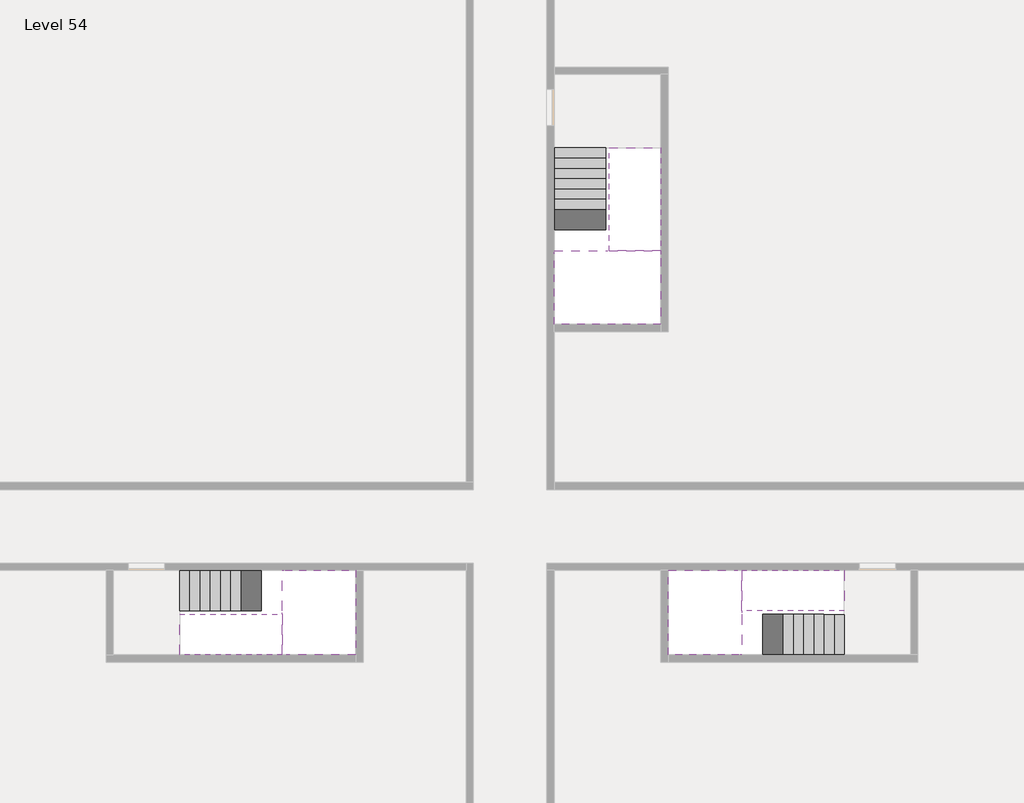
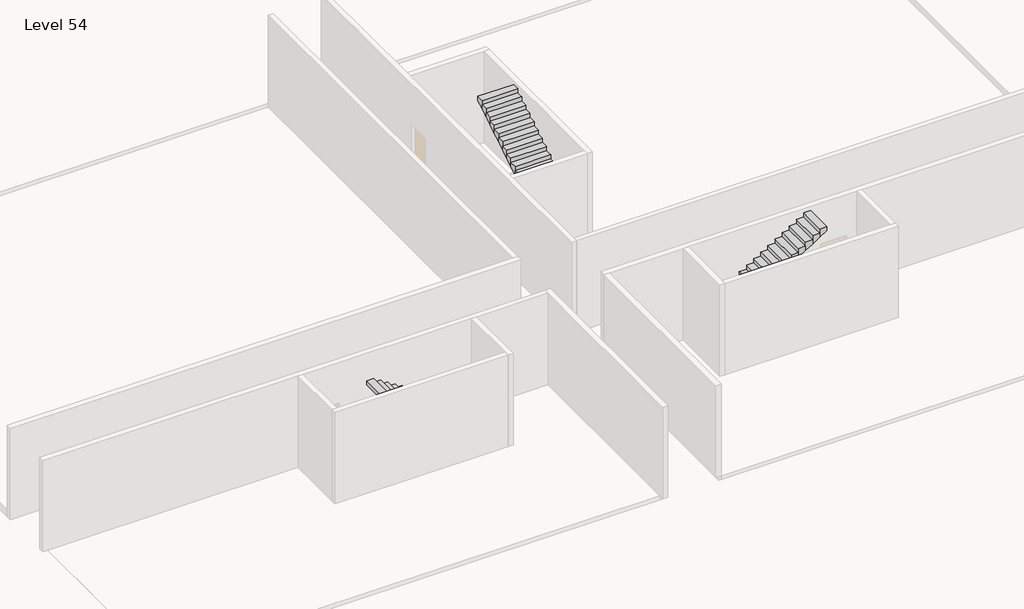
# One storey, part 2 of 2: 6 stair flights, 3 slabs.
"""IFC4 building model written with IfcOpenShell, lengths in millimetres."""

from ifc_helpers import new_model, si_unit, origin, place, context, project, spatial, faceted_brep, element, save

model = new_model("IFC4")

# Units and contexts
model_context = context("Model", 3, world=origin())
ifc_project = project(units=[si_unit("LENGTHUNIT", "METRE", prefix="MILLI")], contexts=[model_context])

# Site, building, storey
site = spatial("IfcSite", under=ifc_project)
building = spatial("IfcBuilding", under=site)
storey = spatial("IfcBuildingStorey", under=building, Name="Level 54", Elevation=201400.0)

# Slabs
placement = place(None, origin())
element("IfcSlab", 1, at=placement, inside=storey, context=model_context, shape_type="Brep", body=[
    faceted_brep([(26790.1058784, -34218.09644, 203300.0), (25390.1058784, -34218.09644, 203300.0), (25390.1058784, -34297.4828763, 203300.0), (25390.1058784, -36218.09644, 203300.0), (28290.1058784, -36218.09644, 203300.0), (28290.1058784, -34418.7100038, 203300.0), (28290.1058784, -34218.09644, 203300.0), (26890.1058784, -34218.09644, 203300.0), (26790.1058784, -34218.09644, 203000.0), (26790.1058784, -34218.09644, 202951.0278478), (25390.1058784, -34218.09644, 202951.0278478), (25390.1058784, -34218.09644, 203127.2727273), (25390.1058784, -34297.4828763, 203000.0), (25390.1058784, -36218.09644, 203000.0), (28290.1058784, -36218.09644, 203000.0), (28290.1058784, -34418.7100038, 203000.0), (28290.1058784, -34218.09644, 203123.7551205), (26890.1058784, -34218.09644, 203123.7551205), (26890.1058784, -34218.09644, 203000.0), (26890.1058784, -34418.7100038, 203000.0), (26790.1058784, -34297.4828763, 203000.0)], [[[0, 1, 2, 3, 4, 5, 6, 7]], [[1, 0, 8, 9, 10, 11]], [[1, 11, 10, 12, 13, 3, 2]], [[4, 3, 13, 14]], [[4, 14, 15, 16, 6, 5]], [[7, 6, 16, 17]], [[0, 7, 17, 18, 8]], [[18, 19, 15, 14, 13, 12, 20, 8]], [[19, 18, 17]], [[20, 12, 10, 9]], [[8, 20, 9]], [[15, 19, 17, 16]]]),
])
element("IfcSlab", 2, at=placement, inside=storey, context=model_context, shape_type="Brep", body=[
    faceted_brep([(30490.1058784, -45218.09644, 203300.0), (30490.1058784, -44118.09644, 203300.0), (30490.1058784, -44018.09644, 203300.0), (30490.1058784, -42918.09644, 203300.0), (30289.4923146, -42918.09644, 203300.0), (28490.1058784, -42918.09644, 203300.0), (28490.1058784, -45218.09644, 203300.0), (30410.7194421, -45218.09644, 203300.0), (30490.1058784, -45218.09644, 203127.2727273), (30490.1058784, -45218.09644, 202951.0278478), (30490.1058784, -44118.09644, 202951.0278478), (30490.1058784, -44118.09644, 203000.0), (30490.1058784, -44018.09644, 203000.0), (30490.1058784, -44018.09644, 203123.7551205), (30490.1058784, -42918.09644, 203123.7551205), (30289.4923146, -42918.09644, 203000.0), (28490.1058784, -42918.09644, 203000.0), (28490.1058784, -45218.09644, 203000.0), (30410.7194421, -45218.09644, 203000.0), (30289.4923146, -44018.09644, 203000.0), (30410.7194421, -44118.09644, 203000.0)], [[[0, 1, 2, 3, 4, 5, 6, 7]], [[1, 0, 8, 9, 10, 11]], [[2, 1, 11, 12, 13]], [[3, 2, 13, 14]], [[3, 14, 15, 16, 5, 4]], [[6, 5, 16, 17]], [[9, 8, 0, 7, 6, 17, 18]], [[19, 12, 11, 20, 18, 17, 16, 15]], [[12, 19, 13]], [[18, 20, 10, 9]], [[20, 11, 10]], [[19, 15, 14, 13]]]),
])
element("IfcSlab", 3, at=placement, inside=storey, context=model_context, shape_type="Brep", body=[
    faceted_brep([(17990.1058784, -42918.09644, 203300.0), (17990.1058784, -44018.09644, 203300.0), (17990.1058784, -44118.09644, 203300.0), (17990.1058784, -45218.09644, 203300.0), (18190.7194421, -45218.09644, 203300.0), (19990.1058784, -45218.09644, 203300.0), (19990.1058784, -42918.09644, 203300.0), (18069.4923146, -42918.09644, 203300.0), (17990.1058784, -42918.09644, 203127.2727273), (17990.1058784, -42918.09644, 202951.0278478), (17990.1058784, -44018.09644, 202951.0278478), (17990.1058784, -44018.09644, 203000.0), (17990.1058784, -44118.09644, 203000.0), (17990.1058784, -44118.09644, 203123.7551205), (17990.1058784, -45218.09644, 203123.7551205), (18190.7194421, -45218.09644, 203000.0), (19990.1058784, -45218.09644, 203000.0), (19990.1058784, -42918.09644, 203000.0), (18069.4923146, -42918.09644, 203000.0), (18190.7194421, -44118.09644, 203000.0), (18069.4923146, -44018.09644, 203000.0)], [[[0, 1, 2, 3, 4, 5, 6, 7]], [[1, 0, 8, 9, 10, 11]], [[2, 1, 11, 12, 13]], [[3, 2, 13, 14]], [[3, 14, 15, 16, 5, 4]], [[6, 5, 16, 17]], [[9, 8, 0, 7, 6, 17, 18]], [[19, 12, 11, 20, 18, 17, 16, 15]], [[12, 19, 13]], [[18, 20, 10, 9]], [[20, 11, 10]], [[19, 15, 14, 13]]]),
])

# Stair flights
element("IfcStairFlight", 4, at=placement, inside=storey, context=model_context, shape_type="Brep", body=[
    faceted_brep([(26790.1058784, -31698.09644, 201572.7272727), (26790.1058784, -31418.09644, 201572.7272727), (25390.1058784, -31418.09644, 201572.7272727), (25390.1058784, -31698.09644, 201572.7272727), (26790.1058784, -31698.09644, 201400.0), (26790.1058784, -31418.09644, 201400.0), (25390.1058784, -31418.09644, 201400.0), (25390.1058784, -31698.09644, 201400.0), (26790.1058784, -31978.09644, 201745.4545455), (26790.1058784, -31698.09644, 201745.4545455), (25390.1058784, -31698.09644, 201745.4545455), (25390.1058784, -31978.09644, 201745.4545455), (26790.1058784, -31978.09644, 201569.209666), (26790.1058784, -31703.7986657, 201400.0), (25390.1058784, -31703.7986657, 201400.0), (25390.1058784, -31978.09644, 201569.209666), (26790.1058784, -32258.09644, 201918.1818182), (26790.1058784, -31978.09644, 201918.1818182), (25390.1058784, -31978.09644, 201918.1818182), (25390.1058784, -32258.09644, 201918.1818182), (26790.1058784, -32258.09644, 201741.9369387), (25390.1058784, -32258.09644, 201741.9369387), (26790.1058784, -32538.09644, 202090.9090909), (26790.1058784, -32258.09644, 202090.9090909), (25390.1058784, -32258.09644, 202090.9090909), (25390.1058784, -32538.09644, 202090.9090909), (26790.1058784, -32538.09644, 201914.6642114), (25390.1058784, -32538.09644, 201914.6642114), (26790.1058784, -32818.09644, 202263.6363636), (26790.1058784, -32538.09644, 202263.6363636), (25390.1058784, -32538.09644, 202263.6363636), (25390.1058784, -32818.09644, 202263.6363636), (26790.1058784, -32818.09644, 202087.3914841), (25390.1058784, -32818.09644, 202087.3914841), (26790.1058784, -33098.09644, 202436.3636364), (26790.1058784, -32818.09644, 202436.3636364), (25390.1058784, -32818.09644, 202436.3636364), (25390.1058784, -33098.09644, 202436.3636364), (26790.1058784, -33098.09644, 202260.1187569), (25390.1058784, -33098.09644, 202260.1187569), (26790.1058784, -33378.09644, 202609.0909091), (26790.1058784, -33098.09644, 202609.0909091), (25390.1058784, -33098.09644, 202609.0909091), (25390.1058784, -33378.09644, 202609.0909091), (26790.1058784, -33378.09644, 202432.8460296), (25390.1058784, -33378.09644, 202432.8460296), (26790.1058784, -33658.09644, 202781.8181818), (26790.1058784, -33378.09644, 202781.8181818), (25390.1058784, -33378.09644, 202781.8181818), (25390.1058784, -33658.09644, 202781.8181818), (26790.1058784, -33658.09644, 202605.5733023), (25390.1058784, -33658.09644, 202605.5733023), (26790.1058784, -33938.09644, 202954.5454545), (26790.1058784, -33658.09644, 202954.5454545), (25390.1058784, -33658.09644, 202954.5454545), (25390.1058784, -33938.09644, 202954.5454545), (26790.1058784, -33938.09644, 202778.3005751), (25390.1058784, -33938.09644, 202778.3005751), (26790.1058784, -34218.09644, 203127.2727273), (26790.1058784, -33938.09644, 203127.2727273), (25390.1058784, -33938.09644, 203127.2727273), (25390.1058784, -34218.09644, 203127.2727273), (26790.1058784, -34218.09644, 203000.0), (26790.1058784, -34218.09644, 202951.0278478), (25390.1058784, -34218.09644, 202951.0278478)], [[[0, 1, 2, 3]], [[1, 0, 4, 5]], [[2, 1, 5, 6]], [[3, 2, 6, 7]], [[8, 9, 10, 11]], [[4, 0, 9, 8, 12, 13]], [[0, 3, 10, 9]], [[3, 7, 14, 15, 11, 10]], [[16, 17, 18, 19]], [[17, 16, 20, 12, 8]], [[8, 11, 18, 17]], [[19, 18, 11, 15, 21]], [[22, 23, 24, 25]], [[23, 22, 26, 20, 16]], [[16, 19, 24, 23]], [[25, 24, 19, 21, 27]], [[28, 29, 30, 31]], [[29, 28, 32, 26, 22]], [[22, 25, 30, 29]], [[31, 30, 25, 27, 33]], [[34, 35, 36, 37]], [[35, 34, 38, 32, 28]], [[28, 31, 36, 35]], [[37, 36, 31, 33, 39]], [[40, 41, 42, 43]], [[41, 40, 44, 38, 34]], [[34, 37, 42, 41]], [[43, 42, 37, 39, 45]], [[46, 47, 48, 49]], [[47, 46, 50, 44, 40]], [[40, 43, 48, 47]], [[49, 48, 43, 45, 51]], [[52, 53, 54, 55]], [[53, 52, 56, 50, 46]], [[46, 49, 54, 53]], [[55, 54, 49, 51, 57]], [[58, 59, 60, 61]], [[59, 58, 62, 63, 56, 52]], [[52, 55, 60, 59]], [[61, 60, 55, 57, 64]], [[58, 61, 64, 63, 62]], [[5, 4, 13, 14, 7, 6]], [[14, 13, 12, 20, 26, 32, 38, 44, 50, 56, 63, 64, 57, 51, 45, 39, 33, 27, 21, 15]]]),
])
element("IfcStairFlight", 5, at=placement, inside=storey, context=model_context, shape_type="Brep", body=[
    faceted_brep([(26890.1058784, -33938.09644, 203472.7272727), (26890.1058784, -34218.09644, 203472.7272727), (28290.1058784, -34218.09644, 203472.7272727), (28290.1058784, -33938.09644, 203472.7272727), (26890.1058784, -33938.09644, 203296.4823932), (26890.1058784, -34218.09644, 203123.7551205), (28290.1058784, -34218.09644, 203123.7551205), (28290.1058784, -34218.09644, 203300.0), (28290.1058784, -33938.09644, 203296.4823932), (26890.1058784, -33658.09644, 203645.4545455), (26890.1058784, -33938.09644, 203645.4545455), (28290.1058784, -33938.09644, 203645.4545455), (28290.1058784, -33658.09644, 203645.4545455), (26890.1058784, -33658.09644, 203469.209666), (28290.1058784, -33658.09644, 203469.209666), (26890.1058784, -33378.09644, 203818.1818182), (26890.1058784, -33658.09644, 203818.1818182), (28290.1058784, -33658.09644, 203818.1818182), (28290.1058784, -33378.09644, 203818.1818182), (26890.1058784, -33378.09644, 203641.9369387), (28290.1058784, -33378.09644, 203641.9369387), (26890.1058784, -33098.09644, 203990.9090909), (26890.1058784, -33378.09644, 203990.9090909), (28290.1058784, -33378.09644, 203990.9090909), (28290.1058784, -33098.09644, 203990.9090909), (26890.1058784, -33098.09644, 203814.6642114), (28290.1058784, -33098.09644, 203814.6642114), (26890.1058784, -32818.09644, 204163.6363636), (26890.1058784, -33098.09644, 204163.6363636), (28290.1058784, -33098.09644, 204163.6363636), (28290.1058784, -32818.09644, 204163.6363636), (26890.1058784, -32818.09644, 203987.3914841), (28290.1058784, -32818.09644, 203987.3914841), (26890.1058784, -32538.09644, 204336.3636364), (26890.1058784, -32818.09644, 204336.3636364), (28290.1058784, -32818.09644, 204336.3636364), (28290.1058784, -32538.09644, 204336.3636364), (26890.1058784, -32538.09644, 204160.1187569), (28290.1058784, -32538.09644, 204160.1187569), (26890.1058784, -32258.09644, 204509.0909091), (26890.1058784, -32538.09644, 204509.0909091), (28290.1058784, -32538.09644, 204509.0909091), (28290.1058784, -32258.09644, 204509.0909091), (26890.1058784, -32258.09644, 204332.8460296), (28290.1058784, -32258.09644, 204332.8460296), (26890.1058784, -31978.09644, 204681.8181818), (26890.1058784, -32258.09644, 204681.8181818), (28290.1058784, -32258.09644, 204681.8181818), (28290.1058784, -31978.09644, 204681.8181818), (26890.1058784, -31978.09644, 204505.5733023), (28290.1058784, -31978.09644, 204505.5733023), (26890.1058784, -31698.09644, 204854.5454545), (26890.1058784, -31978.09644, 204854.5454545), (28290.1058784, -31978.09644, 204854.5454545), (28290.1058784, -31698.09644, 204854.5454545), (26890.1058784, -31698.09644, 204678.3005751), (28290.1058784, -31698.09644, 204678.3005751), (26890.1058784, -31418.09644, 205027.2727273), (26890.1058784, -31698.09644, 205027.2727273), (28290.1058784, -31698.09644, 205027.2727273), (28290.1058784, -31418.09644, 205027.2727273), (26890.1058784, -31418.09644, 204851.0278478), (28290.1058784, -31418.09644, 204851.0278478)], [[[0, 1, 2, 3]], [[1, 0, 4, 5]], [[2, 1, 5, 6, 7]], [[3, 2, 7, 6, 8]], [[9, 10, 11, 12]], [[10, 9, 13, 4, 0]], [[11, 10, 0, 3]], [[12, 11, 3, 8, 14]], [[15, 16, 17, 18]], [[16, 15, 19, 13, 9]], [[17, 16, 9, 12]], [[18, 17, 12, 14, 20]], [[21, 22, 23, 24]], [[22, 21, 25, 19, 15]], [[23, 22, 15, 18]], [[24, 23, 18, 20, 26]], [[27, 28, 29, 30]], [[28, 27, 31, 25, 21]], [[29, 28, 21, 24]], [[30, 29, 24, 26, 32]], [[33, 34, 35, 36]], [[34, 33, 37, 31, 27]], [[35, 34, 27, 30]], [[36, 35, 30, 32, 38]], [[39, 40, 41, 42]], [[40, 39, 43, 37, 33]], [[41, 40, 33, 36]], [[42, 41, 36, 38, 44]], [[45, 46, 47, 48]], [[46, 45, 49, 43, 39]], [[47, 46, 39, 42]], [[48, 47, 42, 44, 50]], [[51, 52, 53, 54]], [[52, 51, 55, 49, 45]], [[53, 52, 45, 48]], [[54, 53, 48, 50, 56]], [[57, 58, 59, 60]], [[58, 57, 61, 55, 51]], [[59, 58, 51, 54]], [[60, 59, 54, 56, 62]], [[57, 60, 62, 61]], [[5, 4, 13, 19, 25, 31, 37, 43, 49, 55, 61, 62, 56, 50, 44, 38, 32, 26, 20, 14, 8, 6]]]),
])
element("IfcStairFlight", 6, at=placement, inside=storey, context=model_context, shape_type="Brep", body=[
    faceted_brep([(33010.1058784, -45218.09644, 201572.7272727), (33290.1058784, -45218.09644, 201572.7272727), (33290.1058784, -44118.09644, 201572.7272727), (33010.1058784, -44118.09644, 201572.7272727), (33010.1058784, -45218.09644, 201400.0), (33290.1058784, -45218.09644, 201400.0), (33290.1058784, -44118.09644, 201400.0), (33010.1058784, -44118.09644, 201400.0), (32730.1058784, -45218.09644, 201745.4545455), (33010.1058784, -45218.09644, 201745.4545455), (33010.1058784, -44118.09644, 201745.4545455), (32730.1058784, -44118.09644, 201745.4545455), (32730.1058784, -45218.09644, 201569.209666), (33004.4036527, -45218.09644, 201400.0), (33004.4036527, -44118.09644, 201400.0), (32730.1058784, -44118.09644, 201569.209666), (32450.1058784, -45218.09644, 201918.1818182), (32730.1058784, -45218.09644, 201918.1818182), (32730.1058784, -44118.09644, 201918.1818182), (32450.1058784, -44118.09644, 201918.1818182), (32450.1058784, -45218.09644, 201741.9369387), (32450.1058784, -44118.09644, 201741.9369387), (32170.1058784, -45218.09644, 202090.9090909), (32450.1058784, -45218.09644, 202090.9090909), (32450.1058784, -44118.09644, 202090.9090909), (32170.1058784, -44118.09644, 202090.9090909), (32170.1058784, -45218.09644, 201914.6642114), (32170.1058784, -44118.09644, 201914.6642114), (31890.1058784, -45218.09644, 202263.6363636), (32170.1058784, -45218.09644, 202263.6363636), (32170.1058784, -44118.09644, 202263.6363636), (31890.1058784, -44118.09644, 202263.6363636), (31890.1058784, -45218.09644, 202087.3914841), (31890.1058784, -44118.09644, 202087.3914841), (31610.1058784, -45218.09644, 202436.3636364), (31890.1058784, -45218.09644, 202436.3636364), (31890.1058784, -44118.09644, 202436.3636364), (31610.1058784, -44118.09644, 202436.3636364), (31610.1058784, -45218.09644, 202260.1187569), (31610.1058784, -44118.09644, 202260.1187569), (31330.1058784, -45218.09644, 202609.0909091), (31610.1058784, -45218.09644, 202609.0909091), (31610.1058784, -44118.09644, 202609.0909091), (31330.1058784, -44118.09644, 202609.0909091), (31330.1058784, -45218.09644, 202432.8460296), (31330.1058784, -44118.09644, 202432.8460296), (31050.1058784, -45218.09644, 202781.8181818), (31330.1058784, -45218.09644, 202781.8181818), (31330.1058784, -44118.09644, 202781.8181818), (31050.1058784, -44118.09644, 202781.8181818), (31050.1058784, -45218.09644, 202605.5733023), (31050.1058784, -44118.09644, 202605.5733023), (30770.1058784, -45218.09644, 202954.5454545), (31050.1058784, -45218.09644, 202954.5454545), (31050.1058784, -44118.09644, 202954.5454545), (30770.1058784, -44118.09644, 202954.5454545), (30770.1058784, -45218.09644, 202778.3005751), (30770.1058784, -44118.09644, 202778.3005751), (30490.1058784, -45218.09644, 203127.2727273), (30770.1058784, -45218.09644, 203127.2727273), (30770.1058784, -44118.09644, 203127.2727273), (30490.1058784, -44118.09644, 203127.2727273), (30490.1058784, -45218.09644, 202951.0278478), (30490.1058784, -44118.09644, 202951.0278478), (30490.1058784, -44118.09644, 203000.0)], [[[0, 1, 2, 3]], [[1, 0, 4, 5]], [[2, 1, 5, 6]], [[3, 2, 6, 7]], [[8, 9, 10, 11]], [[4, 0, 9, 8, 12, 13]], [[0, 3, 10, 9]], [[3, 7, 14, 15, 11, 10]], [[16, 17, 18, 19]], [[17, 16, 20, 12, 8]], [[8, 11, 18, 17]], [[19, 18, 11, 15, 21]], [[22, 23, 24, 25]], [[23, 22, 26, 20, 16]], [[16, 19, 24, 23]], [[25, 24, 19, 21, 27]], [[28, 29, 30, 31]], [[29, 28, 32, 26, 22]], [[22, 25, 30, 29]], [[31, 30, 25, 27, 33]], [[34, 35, 36, 37]], [[35, 34, 38, 32, 28]], [[28, 31, 36, 35]], [[37, 36, 31, 33, 39]], [[40, 41, 42, 43]], [[41, 40, 44, 38, 34]], [[34, 37, 42, 41]], [[43, 42, 37, 39, 45]], [[46, 47, 48, 49]], [[47, 46, 50, 44, 40]], [[40, 43, 48, 47]], [[49, 48, 43, 45, 51]], [[52, 53, 54, 55]], [[53, 52, 56, 50, 46]], [[46, 49, 54, 53]], [[55, 54, 49, 51, 57]], [[58, 59, 60, 61]], [[59, 58, 62, 56, 52]], [[52, 55, 60, 59]], [[61, 60, 55, 57, 63, 64]], [[58, 61, 64, 63, 62]], [[5, 4, 13, 14, 7, 6]], [[14, 13, 12, 20, 26, 32, 38, 44, 50, 56, 62, 63, 57, 51, 45, 39, 33, 27, 21, 15]]]),
])
element("IfcStairFlight", 7, at=placement, inside=storey, context=model_context, shape_type="Brep", body=[
    faceted_brep([(30770.1058784, -42918.09644, 203472.7272727), (30490.1058784, -42918.09644, 203472.7272727), (30490.1058784, -44018.09644, 203472.7272727), (30770.1058784, -44018.09644, 203472.7272727), (30770.1058784, -42918.09644, 203296.4823932), (30490.1058784, -42918.09644, 203123.7551205), (30490.1058784, -42918.09644, 203300.0), (30490.1058784, -44018.09644, 203123.7551205), (30770.1058784, -44018.09644, 203296.4823932), (31050.1058784, -42918.09644, 203645.4545455), (30770.1058784, -42918.09644, 203645.4545455), (30770.1058784, -44018.09644, 203645.4545455), (31050.1058784, -44018.09644, 203645.4545455), (31050.1058784, -42918.09644, 203469.209666), (31050.1058784, -44018.09644, 203469.209666), (31330.1058784, -42918.09644, 203818.1818182), (31050.1058784, -42918.09644, 203818.1818182), (31050.1058784, -44018.09644, 203818.1818182), (31330.1058784, -44018.09644, 203818.1818182), (31330.1058784, -42918.09644, 203641.9369387), (31330.1058784, -44018.09644, 203641.9369387), (31610.1058784, -42918.09644, 203990.9090909), (31330.1058784, -42918.09644, 203990.9090909), (31330.1058784, -44018.09644, 203990.9090909), (31610.1058784, -44018.09644, 203990.9090909), (31610.1058784, -42918.09644, 203814.6642114), (31610.1058784, -44018.09644, 203814.6642114), (31890.1058784, -42918.09644, 204163.6363636), (31610.1058784, -42918.09644, 204163.6363636), (31610.1058784, -44018.09644, 204163.6363636), (31890.1058784, -44018.09644, 204163.6363636), (31890.1058784, -42918.09644, 203987.3914841), (31890.1058784, -44018.09644, 203987.3914841), (32170.1058784, -42918.09644, 204336.3636364), (31890.1058784, -42918.09644, 204336.3636364), (31890.1058784, -44018.09644, 204336.3636364), (32170.1058784, -44018.09644, 204336.3636364), (32170.1058784, -42918.09644, 204160.1187569), (32170.1058784, -44018.09644, 204160.1187569), (32450.1058784, -42918.09644, 204509.0909091), (32170.1058784, -42918.09644, 204509.0909091), (32170.1058784, -44018.09644, 204509.0909091), (32450.1058784, -44018.09644, 204509.0909091), (32450.1058784, -42918.09644, 204332.8460296), (32450.1058784, -44018.09644, 204332.8460296), (32730.1058784, -42918.09644, 204681.8181818), (32450.1058784, -42918.09644, 204681.8181818), (32450.1058784, -44018.09644, 204681.8181818), (32730.1058784, -44018.09644, 204681.8181818), (32730.1058784, -42918.09644, 204505.5733023), (32730.1058784, -44018.09644, 204505.5733023), (33010.1058784, -42918.09644, 204854.5454545), (32730.1058784, -42918.09644, 204854.5454545), (32730.1058784, -44018.09644, 204854.5454545), (33010.1058784, -44018.09644, 204854.5454545), (33010.1058784, -42918.09644, 204678.3005751), (33010.1058784, -44018.09644, 204678.3005751), (33290.1058784, -42918.09644, 205027.2727273), (33010.1058784, -42918.09644, 205027.2727273), (33010.1058784, -44018.09644, 205027.2727273), (33290.1058784, -44018.09644, 205027.2727273), (33290.1058784, -42918.09644, 204851.0278478), (33290.1058784, -44018.09644, 204851.0278478)], [[[0, 1, 2, 3]], [[1, 0, 4, 5, 6]], [[2, 1, 6, 5, 7]], [[3, 2, 7, 8]], [[9, 10, 11, 12]], [[10, 9, 13, 4, 0]], [[11, 10, 0, 3]], [[12, 11, 3, 8, 14]], [[15, 16, 17, 18]], [[16, 15, 19, 13, 9]], [[17, 16, 9, 12]], [[18, 17, 12, 14, 20]], [[21, 22, 23, 24]], [[22, 21, 25, 19, 15]], [[23, 22, 15, 18]], [[24, 23, 18, 20, 26]], [[27, 28, 29, 30]], [[28, 27, 31, 25, 21]], [[29, 28, 21, 24]], [[30, 29, 24, 26, 32]], [[33, 34, 35, 36]], [[34, 33, 37, 31, 27]], [[35, 34, 27, 30]], [[36, 35, 30, 32, 38]], [[39, 40, 41, 42]], [[40, 39, 43, 37, 33]], [[41, 40, 33, 36]], [[42, 41, 36, 38, 44]], [[45, 46, 47, 48]], [[46, 45, 49, 43, 39]], [[47, 46, 39, 42]], [[48, 47, 42, 44, 50]], [[51, 52, 53, 54]], [[52, 51, 55, 49, 45]], [[53, 52, 45, 48]], [[54, 53, 48, 50, 56]], [[57, 58, 59, 60]], [[58, 57, 61, 55, 51]], [[59, 58, 51, 54]], [[60, 59, 54, 56, 62]], [[57, 60, 62, 61]], [[5, 4, 13, 19, 25, 31, 37, 43, 49, 55, 61, 62, 56, 50, 44, 38, 32, 26, 20, 14, 8, 7]]]),
])
element("IfcStairFlight", 8, at=placement, inside=storey, context=model_context, shape_type="Brep", body=[
    faceted_brep([(15470.1058784, -42918.09644, 201572.7272727), (15190.1058784, -42918.09644, 201572.7272727), (15190.1058784, -44018.09644, 201572.7272727), (15470.1058784, -44018.09644, 201572.7272727), (15470.1058784, -42918.09644, 201400.0), (15190.1058784, -42918.09644, 201400.0), (15190.1058784, -44018.09644, 201400.0), (15470.1058784, -44018.09644, 201400.0), (15750.1058784, -42918.09644, 201745.4545455), (15470.1058784, -42918.09644, 201745.4545455), (15470.1058784, -44018.09644, 201745.4545455), (15750.1058784, -44018.09644, 201745.4545455), (15750.1058784, -42918.09644, 201569.209666), (15475.8081041, -42918.09644, 201400.0), (15475.8081041, -44018.09644, 201400.0), (15750.1058784, -44018.09644, 201569.209666), (16030.1058784, -42918.09644, 201918.1818182), (15750.1058784, -42918.09644, 201918.1818182), (15750.1058784, -44018.09644, 201918.1818182), (16030.1058784, -44018.09644, 201918.1818182), (16030.1058784, -42918.09644, 201741.9369387), (16030.1058784, -44018.09644, 201741.9369387), (16310.1058784, -42918.09644, 202090.9090909), (16030.1058784, -42918.09644, 202090.9090909), (16030.1058784, -44018.09644, 202090.9090909), (16310.1058784, -44018.09644, 202090.9090909), (16310.1058784, -42918.09644, 201914.6642114), (16310.1058784, -44018.09644, 201914.6642114), (16590.1058784, -42918.09644, 202263.6363636), (16310.1058784, -42918.09644, 202263.6363636), (16310.1058784, -44018.09644, 202263.6363636), (16590.1058784, -44018.09644, 202263.6363636), (16590.1058784, -42918.09644, 202087.3914841), (16590.1058784, -44018.09644, 202087.3914841), (16870.1058784, -42918.09644, 202436.3636364), (16590.1058784, -42918.09644, 202436.3636364), (16590.1058784, -44018.09644, 202436.3636364), (16870.1058784, -44018.09644, 202436.3636364), (16870.1058784, -42918.09644, 202260.1187569), (16870.1058784, -44018.09644, 202260.1187569), (17150.1058784, -42918.09644, 202609.0909091), (16870.1058784, -42918.09644, 202609.0909091), (16870.1058784, -44018.09644, 202609.0909091), (17150.1058784, -44018.09644, 202609.0909091), (17150.1058784, -42918.09644, 202432.8460296), (17150.1058784, -44018.09644, 202432.8460296), (17430.1058784, -42918.09644, 202781.8181818), (17150.1058784, -42918.09644, 202781.8181818), (17150.1058784, -44018.09644, 202781.8181818), (17430.1058784, -44018.09644, 202781.8181818), (17430.1058784, -42918.09644, 202605.5733023), (17430.1058784, -44018.09644, 202605.5733023), (17710.1058784, -42918.09644, 202954.5454545), (17430.1058784, -42918.09644, 202954.5454545), (17430.1058784, -44018.09644, 202954.5454545), (17710.1058784, -44018.09644, 202954.5454545), (17710.1058784, -42918.09644, 202778.3005751), (17710.1058784, -44018.09644, 202778.3005751), (17990.1058784, -42918.09644, 203127.2727273), (17710.1058784, -42918.09644, 203127.2727273), (17710.1058784, -44018.09644, 203127.2727273), (17990.1058784, -44018.09644, 203127.2727273), (17990.1058784, -42918.09644, 202951.0278478), (17990.1058784, -44018.09644, 202951.0278478), (17990.1058784, -44018.09644, 203000.0)], [[[0, 1, 2, 3]], [[1, 0, 4, 5]], [[2, 1, 5, 6]], [[3, 2, 6, 7]], [[8, 9, 10, 11]], [[4, 0, 9, 8, 12, 13]], [[0, 3, 10, 9]], [[3, 7, 14, 15, 11, 10]], [[16, 17, 18, 19]], [[17, 16, 20, 12, 8]], [[8, 11, 18, 17]], [[19, 18, 11, 15, 21]], [[22, 23, 24, 25]], [[23, 22, 26, 20, 16]], [[16, 19, 24, 23]], [[25, 24, 19, 21, 27]], [[28, 29, 30, 31]], [[29, 28, 32, 26, 22]], [[22, 25, 30, 29]], [[31, 30, 25, 27, 33]], [[34, 35, 36, 37]], [[35, 34, 38, 32, 28]], [[28, 31, 36, 35]], [[37, 36, 31, 33, 39]], [[40, 41, 42, 43]], [[41, 40, 44, 38, 34]], [[34, 37, 42, 41]], [[43, 42, 37, 39, 45]], [[46, 47, 48, 49]], [[47, 46, 50, 44, 40]], [[40, 43, 48, 47]], [[49, 48, 43, 45, 51]], [[52, 53, 54, 55]], [[53, 52, 56, 50, 46]], [[46, 49, 54, 53]], [[55, 54, 49, 51, 57]], [[58, 59, 60, 61]], [[59, 58, 62, 56, 52]], [[52, 55, 60, 59]], [[61, 60, 55, 57, 63, 64]], [[58, 61, 64, 63, 62]], [[5, 4, 13, 14, 7, 6]], [[14, 13, 12, 20, 26, 32, 38, 44, 50, 56, 62, 63, 57, 51, 45, 39, 33, 27, 21, 15]]]),
])
element("IfcStairFlight", 9, at=placement, inside=storey, context=model_context, shape_type="Brep", body=[
    faceted_brep([(17710.1058784, -45218.09644, 203472.7272727), (17990.1058784, -45218.09644, 203472.7272727), (17990.1058784, -44118.09644, 203472.7272727), (17710.1058784, -44118.09644, 203472.7272727), (17710.1058784, -45218.09644, 203296.4823932), (17990.1058784, -45218.09644, 203123.7551205), (17990.1058784, -45218.09644, 203300.0), (17990.1058784, -44118.09644, 203123.7551205), (17710.1058784, -44118.09644, 203296.4823932), (17430.1058784, -45218.09644, 203645.4545455), (17710.1058784, -45218.09644, 203645.4545455), (17710.1058784, -44118.09644, 203645.4545455), (17430.1058784, -44118.09644, 203645.4545455), (17430.1058784, -45218.09644, 203469.209666), (17430.1058784, -44118.09644, 203469.209666), (17150.1058784, -45218.09644, 203818.1818182), (17430.1058784, -45218.09644, 203818.1818182), (17430.1058784, -44118.09644, 203818.1818182), (17150.1058784, -44118.09644, 203818.1818182), (17150.1058784, -45218.09644, 203641.9369387), (17150.1058784, -44118.09644, 203641.9369387), (16870.1058784, -45218.09644, 203990.9090909), (17150.1058784, -45218.09644, 203990.9090909), (17150.1058784, -44118.09644, 203990.9090909), (16870.1058784, -44118.09644, 203990.9090909), (16870.1058784, -45218.09644, 203814.6642114), (16870.1058784, -44118.09644, 203814.6642114), (16590.1058784, -45218.09644, 204163.6363636), (16870.1058784, -45218.09644, 204163.6363636), (16870.1058784, -44118.09644, 204163.6363636), (16590.1058784, -44118.09644, 204163.6363636), (16590.1058784, -45218.09644, 203987.3914841), (16590.1058784, -44118.09644, 203987.3914841), (16310.1058784, -45218.09644, 204336.3636364), (16590.1058784, -45218.09644, 204336.3636364), (16590.1058784, -44118.09644, 204336.3636364), (16310.1058784, -44118.09644, 204336.3636364), (16310.1058784, -45218.09644, 204160.1187569), (16310.1058784, -44118.09644, 204160.1187569), (16030.1058784, -45218.09644, 204509.0909091), (16310.1058784, -45218.09644, 204509.0909091), (16310.1058784, -44118.09644, 204509.0909091), (16030.1058784, -44118.09644, 204509.0909091), (16030.1058784, -45218.09644, 204332.8460296), (16030.1058784, -44118.09644, 204332.8460296), (15750.1058784, -45218.09644, 204681.8181818), (16030.1058784, -45218.09644, 204681.8181818), (16030.1058784, -44118.09644, 204681.8181818), (15750.1058784, -44118.09644, 204681.8181818), (15750.1058784, -45218.09644, 204505.5733023), (15750.1058784, -44118.09644, 204505.5733023), (15470.1058784, -45218.09644, 204854.5454545), (15750.1058784, -45218.09644, 204854.5454545), (15750.1058784, -44118.09644, 204854.5454545), (15470.1058784, -44118.09644, 204854.5454545), (15470.1058784, -45218.09644, 204678.3005751), (15470.1058784, -44118.09644, 204678.3005751), (15190.1058784, -45218.09644, 205027.2727273), (15470.1058784, -45218.09644, 205027.2727273), (15470.1058784, -44118.09644, 205027.2727273), (15190.1058784, -44118.09644, 205027.2727273), (15190.1058784, -45218.09644, 204851.0278478), (15190.1058784, -44118.09644, 204851.0278478)], [[[0, 1, 2, 3]], [[1, 0, 4, 5, 6]], [[2, 1, 6, 5, 7]], [[3, 2, 7, 8]], [[9, 10, 11, 12]], [[10, 9, 13, 4, 0]], [[11, 10, 0, 3]], [[12, 11, 3, 8, 14]], [[15, 16, 17, 18]], [[16, 15, 19, 13, 9]], [[17, 16, 9, 12]], [[18, 17, 12, 14, 20]], [[21, 22, 23, 24]], [[22, 21, 25, 19, 15]], [[23, 22, 15, 18]], [[24, 23, 18, 20, 26]], [[27, 28, 29, 30]], [[28, 27, 31, 25, 21]], [[29, 28, 21, 24]], [[30, 29, 24, 26, 32]], [[33, 34, 35, 36]], [[34, 33, 37, 31, 27]], [[35, 34, 27, 30]], [[36, 35, 30, 32, 38]], [[39, 40, 41, 42]], [[40, 39, 43, 37, 33]], [[41, 40, 33, 36]], [[42, 41, 36, 38, 44]], [[45, 46, 47, 48]], [[46, 45, 49, 43, 39]], [[47, 46, 39, 42]], [[48, 47, 42, 44, 50]], [[51, 52, 53, 54]], [[52, 51, 55, 49, 45]], [[53, 52, 45, 48]], [[54, 53, 48, 50, 56]], [[57, 58, 59, 60]], [[58, 57, 61, 55, 51]], [[59, 58, 51, 54]], [[60, 59, 54, 56, 62]], [[57, 60, 62, 61]], [[5, 4, 13, 19, 25, 31, 37, 43, 49, 55, 61, 62, 56, 50, 44, 38, 32, 26, 20, 14, 8, 7]]]),
])

save(model, "model.ifc")
